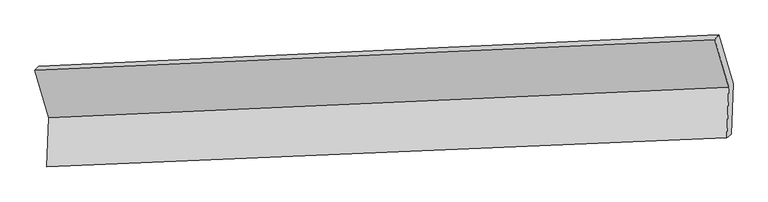
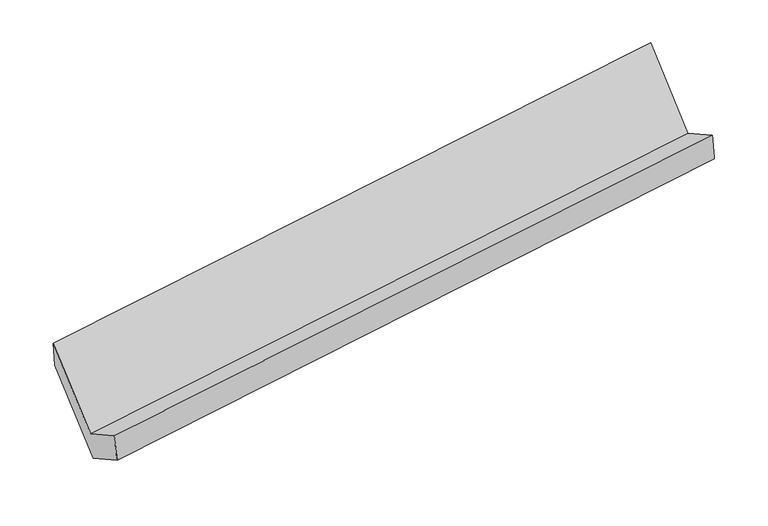
"""IFC4 building model written with IfcOpenShell, lengths in millimetres: proxy geometry."""

from ifc_helpers import new_model, si_unit, frame, origin, place, context, project, spatial, source, transform, mapped, element, save
from ifc_brep_helpers import plane_surface, spline_surface, advanced_brep


def generic_models_231a0517(model_context):
    return source(origin(), model_context, "Body", "AdvancedBrep", [
        advanced_brep(
        [(-5174.8434673, -1617.0296354, 1450.6370032), (-5187.6856141, -1954.1712289, 1643.247171), (-517.2064235, -1754.1293917, 2304.7979307), (-504.033715, -1408.3096442, 2107.2299033), (-5156.8684473, -1936.0205679, 1422.9770357), (-487.8362459, -1731.0288692, 2093.0954726), (-5144.0263006, -1598.8789743, 1230.366868), (-474.6635374, -1385.2091216, 1895.5274453), (-5242.3483874, -1262.5387132, 1812.5356407), (-572.9856242, -1048.8688605, 2477.696218), (-5270.2715758, -1290.5890972, 2015.6704215), (-599.4618235, -1081.869106, 2672.2633216)],
        [
            (0, 1),
            (1, 2),
            (2, 3),
            (3, 0),
            (1, 4),
            (4, 5),
            (5, 2),
            (4, 6),
            (6, 7),
            (7, 5),
            (6, 8),
            (8, 9),
            (9, 7),
            (8, 10),
            (10, 11),
            (11, 9),
            (10, 0),
            (3, 11),
        ],
        [
            plane_surface(frame((-5181.2645407, -1785.6004322, 1546.9420871), z_axis=(-0.14260400934788464, 0.4950770026330172, 0.8570664256531206), x_axis=(-0.03305617847097595, -0.8678153996295025, 0.4957859631239896))),
            spline_surface(1, 1, [[(-5187.6856141, -1954.1712289, 1643.247171), (-517.2064235, -1754.1293917, 2304.7979307)], [(-5156.8684473, -1936.0205679, 1422.9770357), (-487.8362459, -1731.0288692, 2093.0954726)]], [2, 2], [2, 2], [0.0, 1.0], [0.0, 1.0]),
            plane_surface(frame((-5150.447374, -1767.4497711, 1326.6719518), z_axis=(0.14469891642618224, -0.49498615123860296, -0.8567677244545827), x_axis=(0.03305617847093248, 0.8678153996295043, -0.4957859631239894))),
            plane_surface(frame((-5193.187344, -1430.7088438, 1521.4512544), z_axis=(0.03096152181359301, 0.8677214913948696, -0.49608547402483966), x_axis=(-0.14469891642617994, 0.4949861512386033, 0.8567677244545828))),
            spline_surface(1, 1, [[(-5242.3483874, -1262.5387132, 1812.5356407), (-572.9856242, -1048.8688605, 2477.696218)], [(-5270.2715758, -1290.5890972, 2015.6704215), (-599.4618235, -1081.869106, 2672.2633216)]], [2, 2], [2, 2], [0.0, 1.0], [0.0, 1.0]),
            plane_surface(frame((-5222.5575216, -1453.8093663, 1733.1537124), z_axis=(-0.030961521813596023, -0.8677214913948583, 0.4960854740248593), x_axis=(0.1446989164261788, -0.4949861512386232, -0.8567677244545716))),
            plane_surface(frame((-526.0312283, -1401.5691656, 2258.4350486), z_axis=(0.9889234109120855, 0.04341822483572608, 0.14193429854027856), x_axis=(-0.13297009032354082, -0.16573548153020104, 0.9771646254553538))),
            plane_surface(frame((-5196.0072988, -1609.8713695, 1595.90569), z_axis=(-0.9889234109120865, -0.04341822483573461, -0.14193429854026943), x_axis=(-0.14469891642617555, 0.494986151238612, 0.8567677244545786))),
        ],
        [
            (0, [[1, 2, 3, 4]]),
            (1, [[5, 6, 7, -2]]),
            (2, [[8, 9, 10, -6]]),
            (3, [[11, 12, 13, -9]]),
            (4, [[14, 15, 16, -12]]),
            (5, [[17, -4, 18, -15]]),
            (6, [[-16, -18, -3, -7, -10, -13]]),
            (7, [[-17, -14, -11, -8, -5, -1]]),
        ],
    ),
    ])


if __name__ == "__main__":
    model = new_model("IFC4")
    model_context = context("Model", 3, world=origin())
    ifc_project = project(units=[si_unit("LENGTHUNIT", "METRE", prefix="MILLI")], contexts=[model_context])
    site = spatial("IfcSite", under=ifc_project)
    building = spatial("IfcBuilding", under=site)
    placement = place(None, origin())
    generic_models_shape = generic_models_231a0517(model_context)
    element("IfcBuildingElementProxy", 1, Name="Generic Models", at=placement, inside=building, context=model_context, shape_type="MappedRepresentation", body=[
        mapped(generic_models_shape, transform((0.0, 0.0, 0.0), x_axis=(1.0, 0.0, 0.0), y_axis=(0.0, 1.0, 0.0), z_axis=(0.0, 0.0, 1.0))),
    ])
    save(model, "model.ifc")
